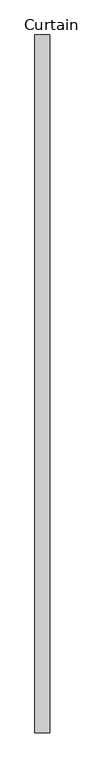
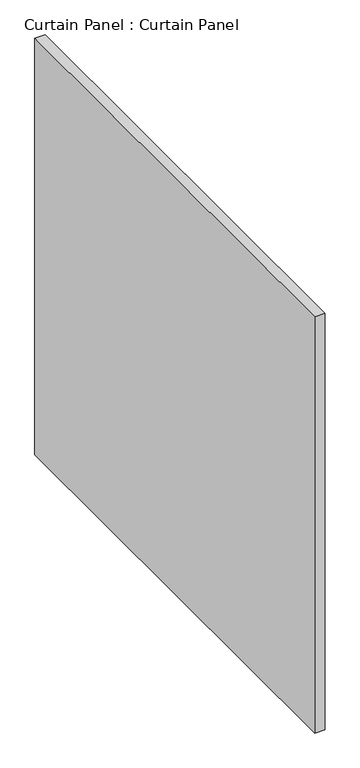
"""IFC4 building model written with IfcOpenShell, lengths in millimetres: plate geometry, Curtain Panel : Curtain Panel."""

from ifc_helpers import new_model, si_unit, frame, origin, place, context, project, spatial, polyline, outline, extrude, source, transform, mapped, element, save


def curtain_panel_curtain_panel_04811458(model_context):
    return source(origin(), model_context, "Body", "SweptSolid", [
        extrude(outline(polyline([(-411398.1205803, 5994.9609739), (-411398.1205803, 4794.8112003), (-411423.5205803, 4794.8112003), (-411423.5205803, 5994.9609739), (-411398.1205803, 5994.9609739)])), frame((0.0, 0.0, 98.425), z_axis=(0.0, 0.0, 1.0), x_axis=(1.0, 0.0, 0.0)), (0.0, 0.0, 1.0), 1089.025),
    ])


if __name__ == "__main__":
    model = new_model("IFC4")
    model_context = context("Model", 3, world=origin())
    ifc_project = project(units=[si_unit("LENGTHUNIT", "METRE", prefix="MILLI")], contexts=[model_context])
    site = spatial("IfcSite", under=ifc_project)
    building = spatial("IfcBuilding", under=site)
    placement = place(None, origin())
    curtain_panel_curtain_panel_shape = curtain_panel_curtain_panel_04811458(model_context)
    element("IfcPlate", 1, ObjectType="Curtain Panel : Curtain Panel", at=placement, inside=building, context=model_context, shape_type="MappedRepresentation", body=[
        mapped(curtain_panel_curtain_panel_shape, transform((0.0, 0.0, 0.0), x_axis=(1.0, 0.0, 0.0), y_axis=(0.0, 1.0, 0.0), z_axis=(0.0, 0.0, 1.0))),
    ])
    save(model, "model.ifc")
